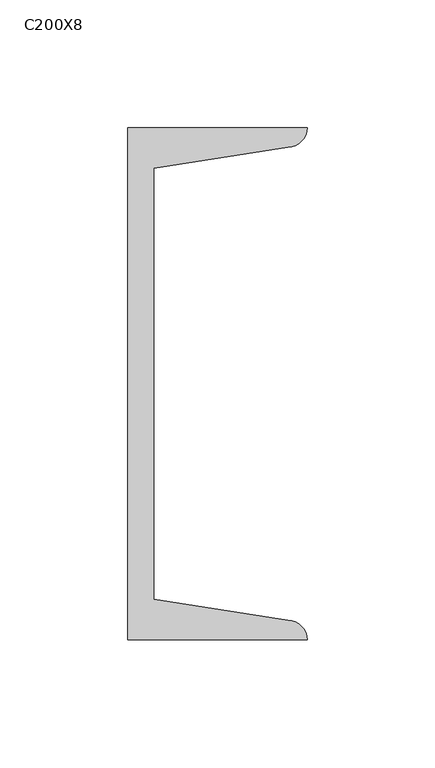
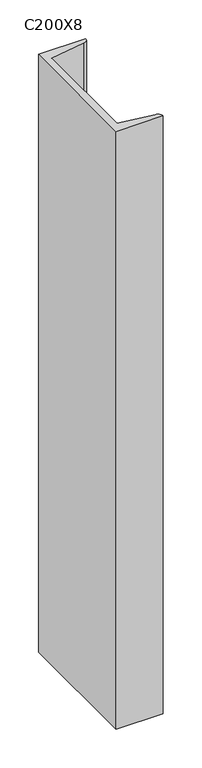
"""IFC4 building model written with IfcOpenShell, lengths in millimetres: column geometry, C200X8."""

from ifc_helpers import new_model, si_unit, point, frame, frame_2d, origin, place, context, project, spatial, polyline, circle_curve, trimmed, segment, composite_curve, outline, extrude, source, transform, mapped, element, save


def c200x8_99ae612d(model_context):
    return source(origin(), model_context, "Body", "SweptSolid", [
        extrude(outline(composite_curve([segment(polyline([(5.0, -100.0), (5.0, 100.0), (75.0, 100.0)]), True, "CONTINUOUS"), segment(trimmed(circle_curve(frame_2d((67.5, 100.0)), 7.5), [point((75.0, 100.0))], [point((67.5, 92.5))], False, "CARTESIAN"), True, "CONTINUOUS"), segment(polyline([(67.5, 92.5), (15.0, 84.1848169), (15.0, -84.1848169), (67.5, -92.5)]), True, "CONTINUOUS"), segment(trimmed(circle_curve(frame_2d((67.5, -100.0)), 7.5), [point((67.5, -92.5))], [point((75.0, -100.0))], False, "CARTESIAN"), True, "CONTINUOUS"), segment(polyline([(75.0, -100.0), (5.0, -100.0)]), True, "CONTINUOUS")], self_intersect=False)), frame((0.0, 0.0, 9380.0), z_axis=(0.0, 0.0, 1.0), x_axis=(1.0, 0.0, 0.0)), (0.0, 0.0, 1.0), 940.0),
    ])


if __name__ == "__main__":
    model = new_model("IFC4")
    model_context = context("Model", 3, world=origin())
    ifc_project = project(units=[si_unit("LENGTHUNIT", "METRE", prefix="MILLI")], contexts=[model_context])
    site = spatial("IfcSite", under=ifc_project)
    building = spatial("IfcBuilding", under=site)
    placement = place(None, origin())
    c200x8_shape = c200x8_99ae612d(model_context)
    element("IfcColumn", 1, ObjectType="C200X8", at=placement, inside=building, context=model_context, shape_type="MappedRepresentation", body=[
        mapped(c200x8_shape, transform((0.0, 0.0, 0.0), x_axis=(1.0, 0.0, 0.0), y_axis=(0.0, 1.0, 0.0), z_axis=(0.0, 0.0, 1.0))),
    ])
    save(model, "model.ifc")
